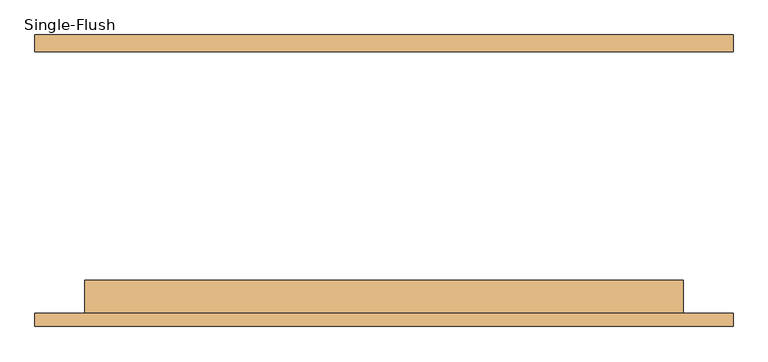
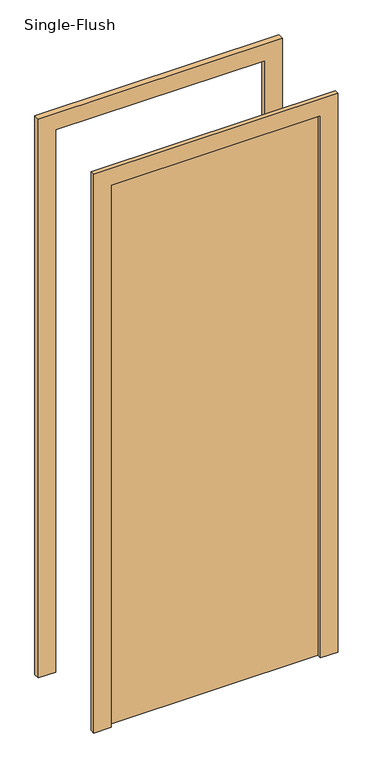
"""IFC4 building model written with IfcOpenShell, lengths in millimetres: door geometry, Single-Flush."""

from ifc_helpers import new_model, si_unit, frame, origin, origin_with_axes, place, context, project, spatial, polyline, outline, extrude, source, transform, mapped, element, save


def single_flush_9a5643b8(model_context):
    return source(origin(), model_context, "Body", "SweptSolid", [
        extrude(outline(polyline([(2576.2, -533.4), (0.0, -533.4), (0.0, -457.2), (2500.0, -457.2), (2500.0, 457.2), (0.0, 457.2), (0.0, 533.4), (2576.2, 533.4), (2576.2, -533.4)])), frame((0.0, -220.0, 0.0), z_axis=(0.0, 1.0, 0.0), x_axis=(0.0, 0.0, 1.0)), (0.0, 0.0, 1.0), 20.0),
        extrude(outline(polyline([(2576.2, 533.4), (2576.2, -533.4), (0.0, -533.4), (0.0, -457.2), (2500.0, -457.2), (2500.0, 457.2), (0.0, 457.2), (0.0, 533.4), (2576.2, 533.4)])), frame((0.0, 200.0, 0.0), z_axis=(0.0, 1.0, 0.0), x_axis=(0.0, 0.0, 1.0)), (0.0, 0.0, 1.0), 25.4),
        extrude(outline(polyline([(457.2, -149.2), (457.2, -200.0), (-457.2, -200.0), (-457.2, -149.2), (457.2, -149.2)])), origin_with_axes(), (0.0, 0.0, 1.0), 2500.0),
    ])


if __name__ == "__main__":
    model = new_model("IFC4")
    model_context = context("Model", 3, world=origin())
    ifc_project = project(units=[si_unit("LENGTHUNIT", "METRE", prefix="MILLI")], contexts=[model_context])
    site = spatial("IfcSite", under=ifc_project)
    building = spatial("IfcBuilding", under=site)
    placement = place(None, origin())
    single_flush_shape = single_flush_9a5643b8(model_context)
    element("IfcDoor", 1, ObjectType="Single-Flush", at=placement, inside=building, context=model_context, shape_type="MappedRepresentation", body=[
        mapped(single_flush_shape, transform((0.0, 0.0, 0.0), x_axis=(1.0, 0.0, 0.0), y_axis=(0.0, 1.0, 0.0), z_axis=(0.0, 0.0, 1.0))),
    ])
    save(model, "model.ifc")
